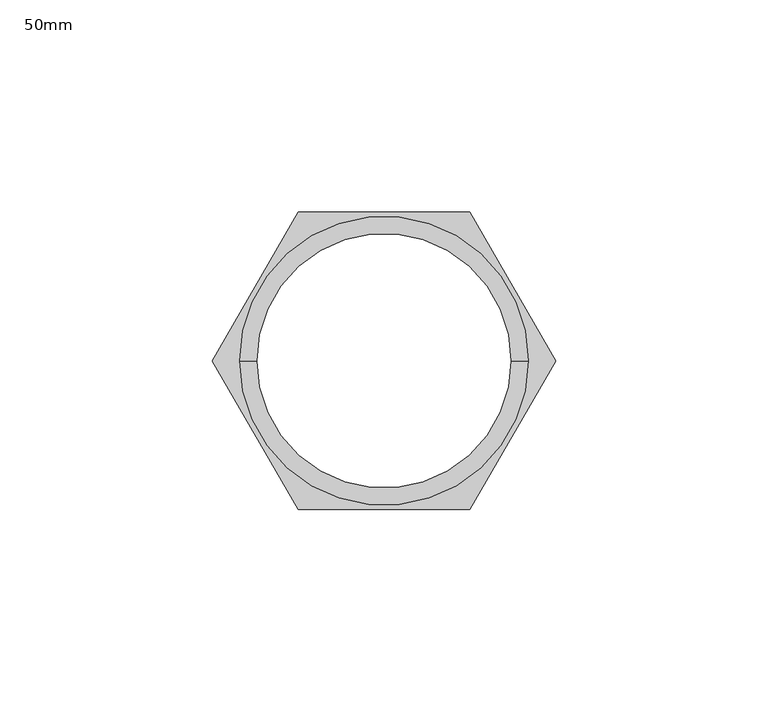
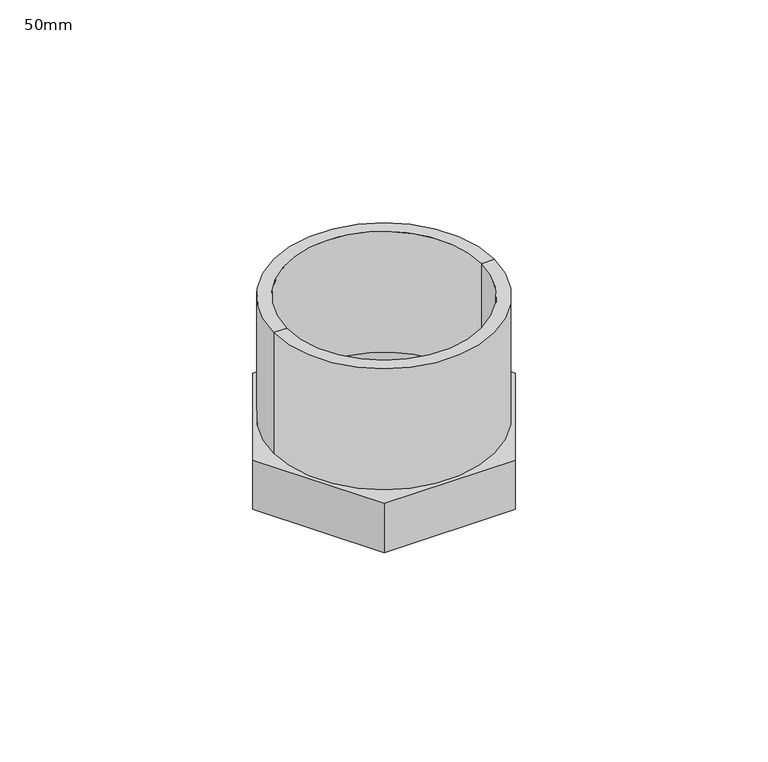
"""IFC4 building model written with IfcOpenShell, lengths in millimetres: proxy geometry, 50mm."""

from ifc_helpers import new_model, si_unit, frame, origin, place, context, project, spatial, polyline, circle_curve, source, transform, mapped, element, save
from ifc_brep_helpers import plane_surface, cylinder_surface, revolved_surface, advanced_brep


def proxy_50mm_0975293f(model_context):
    return source(origin(), model_context, "Body", "AdvancedBrep", [
        advanced_brep(
        [(30.0, 0.0, 39.34), (-30.0, 0.0, 39.34), (-30.0, 0.0, 0.0), (30.0, 0.0, 0.0), (34.0, 0.0, 39.34), (-34.0, 0.0, 39.34), (34.0, 0.0, 0.0), (-34.0, 0.0, 0.0), (-40.4145188, 0.0, 0.0), (-20.2072594, -35.0, 0.0), (20.2072594, -35.0, 0.0), (40.4145188, 0.0, 0.0), (20.2072594, 35.0, 0.0), (-20.2072594, 35.0, 0.0), (-40.4145188, 0.0, -16.12), (-20.2072594, 35.0, -16.12), (20.2072594, 35.0, -16.12), (40.4145188, 0.0, -16.12), (20.2072594, -35.0, -16.12), (-20.2072594, -35.0, -16.12), (-30.0, 0.0, -16.12), (30.0, 0.0, -16.12)],
        [
            (0, 1, circle_curve(frame((0.0, 0.0, 39.34), z_axis=(0.0, 0.0, 1.0), x_axis=(-1.0, 0.0, 0.0)), 30.0)),
            (1, 2),
            (2, 3, circle_curve(frame((0.0, 0.0, 0.0), z_axis=(0.0, 0.0, -1.0), x_axis=(-1.0, 0.0, 0.0)), 30.0)),
            (3, 0),
            (1, 0, circle_curve(frame((0.0, 0.0, 39.34), z_axis=(0.0, 0.0, 1.0), x_axis=(-1.0, 0.0, 0.0)), 30.0)),
            (3, 2, circle_curve(frame((0.0, 0.0, 0.0), z_axis=(0.0, 0.0, -1.0), x_axis=(-1.0, 0.0, 0.0)), 30.0)),
            (0, 4),
            (4, 5, circle_curve(frame((0.0, 0.0, 39.34), z_axis=(0.0, 0.0, 1.0), x_axis=(-1.0, 0.0, 0.0)), 34.0)),
            (5, 1),
            (5, 4, circle_curve(frame((0.0, 0.0, 39.34), z_axis=(0.0, 0.0, 1.0), x_axis=(-1.0, 0.0, 0.0)), 34.0)),
            (4, 6),
            (6, 7, circle_curve(frame((0.0, 0.0, 0.0), z_axis=(0.0, 0.0, 1.0), x_axis=(-1.0, 0.0, 0.0)), 34.0)),
            (7, 5),
            (7, 6, circle_curve(frame((0.0, 0.0, 0.0), z_axis=(0.0, 0.0, 1.0), x_axis=(-1.0, 0.0, 0.0)), 34.0)),
            (8, 9),
            (9, 10),
            (10, 11),
            (11, 12),
            (12, 13),
            (13, 8),
            (14, 15),
            (15, 16),
            (16, 17),
            (17, 18),
            (18, 19),
            (19, 14),
            (20, 21, circle_curve(frame((0.0, 0.0, -16.12), z_axis=(0.0, 0.0, 1.0), x_axis=(1.0, 0.0, 0.0)), 30.0)),
            (21, 20, circle_curve(frame((0.0, 0.0, -16.12), z_axis=(0.0, 0.0, 1.0), x_axis=(1.0, 0.0, 0.0)), 30.0)),
            (8, 14),
            (19, 9),
            (18, 10),
            (17, 11),
            (16, 12),
            (15, 13),
            (21, 3),
            (2, 20),
        ],
        [
            revolved_surface(polyline([(-30.0, 0.0, 0.0), (-30.0, 0.0, 39.340000000000146)]), (0.0, 0.0, 2624.2494637), (0.0, 0.0, -1.0)),
            plane_surface(frame((0.0, 0.0, 39.34), z_axis=(0.0, 0.0, 1.0), x_axis=(-1.0, 0.0, 0.0))),
            cylinder_surface(frame((0.0, 0.0, 2624.2494637), z_axis=(0.0, 0.0, -1.0), x_axis=(-1.0, 0.0, 0.0)), 34.0),
            plane_surface(frame((-20.2072594, -35.0, 0.0), z_axis=(0.0, 0.0, 1.0), x_axis=(0.4999999999999959, -0.866025403784441, 0.0))),
            plane_surface(frame((-20.2072594, -35.0, -16.12), z_axis=(0.0, 0.0, -1.0), x_axis=(-0.4999999999999959, 0.866025403784441, 0.0))),
            plane_surface(frame((-40.4145188, 0.0, 0.0), z_axis=(-0.866025403784441, -0.4999999999999959, 0.0), x_axis=(0.0, 0.0, -1.0))),
            plane_surface(frame((-20.2072594, -35.0, 0.0), z_axis=(0.0, -1.0, 0.0), x_axis=(0.0, 0.0, -1.0))),
            plane_surface(frame((20.2072594, -35.0, 0.0), z_axis=(0.8660254037844379, -0.5000000000000014, 0.0), x_axis=(0.0, 0.0, -1.0))),
            plane_surface(frame((40.4145188, 0.0, 0.0), z_axis=(0.8660254037844379, 0.5000000000000014, 0.0), x_axis=(0.0, 0.0, -1.0))),
            plane_surface(frame((20.2072594, 35.0, 0.0), z_axis=(0.0, 1.0, 0.0), x_axis=(0.0, 0.0, -1.0))),
            plane_surface(frame((-20.2072594, 35.0, 0.0), z_axis=(-0.866025403784441, 0.499999999999996, 0.0), x_axis=(0.0, 0.0, -1.0))),
            revolved_surface(polyline([(30.0, 0.0, -16.12), (30.0, 0.0, 0.0)]), (0.0, 0.0, 0.0), (0.0, 0.0, -1.0)),
        ],
        [
            (0, [[1, 2, 3, 4]]),
            (0, [[-2, 5, -4, 6]]),
            (1, [[-1, 7, 8, 9]]),
            (1, [[-5, -9, 10, -7]]),
            (2, [[-8, 11, 12, 13]]),
            (2, [[-10, -13, 14, -11]]),
            (3, [[15, 16, 17, 18, 19, 20], [-12, -14]]),
            (4, [[21, 22, 23, 24, 25, 26], [27, 28]]),
            (5, [[-15, 29, -26, 30]]),
            (6, [[-16, -30, -25, 31]]),
            (7, [[-17, -31, -24, 32]]),
            (8, [[-18, -32, -23, 33]]),
            (9, [[-19, -33, -22, 34]]),
            (10, [[-20, -34, -21, -29]]),
            (11, [[-28, 35, -3, 36]]),
            (11, [[-27, -36, -6, -35]]),
        ],
    ),
    ])


if __name__ == "__main__":
    model = new_model("IFC4")
    model_context = context("Model", 3, world=origin())
    ifc_project = project(units=[si_unit("LENGTHUNIT", "METRE", prefix="MILLI")], contexts=[model_context])
    site = spatial("IfcSite", under=ifc_project)
    building = spatial("IfcBuilding", under=site)
    placement = place(None, origin())
    proxy_50mm_shape = proxy_50mm_0975293f(model_context)
    element("IfcBuildingElementProxy", 1, Name="50mm", ObjectType="50mm", at=placement, inside=building, context=model_context, shape_type="MappedRepresentation", body=[
        mapped(proxy_50mm_shape, transform((0.0, 0.0, 0.0), x_axis=(1.0, 0.0, 0.0), y_axis=(0.0, 1.0, 0.0), z_axis=(0.0, 0.0, 1.0))),
    ])
    save(model, "model.ifc")
